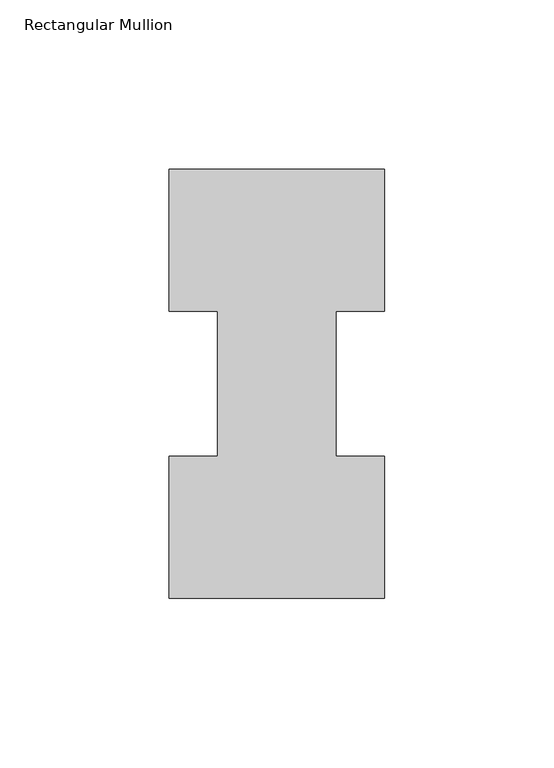
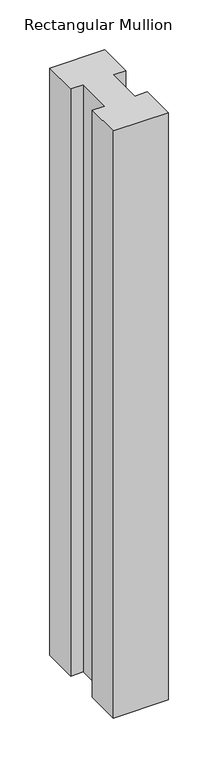
"""IFC4 building model written with IfcOpenShell, lengths in millimetres: member geometry, Rectangular Mullion."""

from ifc_helpers import new_model, si_unit, frame, origin, place, context, project, spatial, polyline, outline, extrude, source, transform, mapped, element, save


def rectangular_mullion_ca6f908b(model_context):
    return source(origin(), model_context, "Body", "SweptSolid", [
        extrude(outline(polyline([(-63.5, 0.26035), (-63.5, 42.08145), (-49.2125, 42.08145), (-49.2125, 84.93125), (-63.5, 84.93125), (-63.5, 126.75235), (0.0, 126.75235), (0.0, 84.93125), (-14.2748, 84.93125), (-14.2748, 42.08145), (0.0, 42.08145), (0.0, 0.26035), (-63.5, 0.26035)])), frame((0.0, 0.0, -717.8095563), z_axis=(0.0, 0.0, 1.0), x_axis=(1.0, 0.0, 0.0)), (0.0, 0.0, 1.0), 717.8095563),
    ])


if __name__ == "__main__":
    model = new_model("IFC4")
    model_context = context("Model", 3, world=origin())
    ifc_project = project(units=[si_unit("LENGTHUNIT", "METRE", prefix="MILLI")], contexts=[model_context])
    site = spatial("IfcSite", under=ifc_project)
    building = spatial("IfcBuilding", under=site)
    placement = place(None, origin())
    rectangular_mullion_shape = rectangular_mullion_ca6f908b(model_context)
    element("IfcMember", 1, ObjectType="Rectangular Mullion", at=placement, inside=building, context=model_context, shape_type="MappedRepresentation", body=[
        mapped(rectangular_mullion_shape, transform((0.0, 0.0, 0.0), x_axis=(1.0, 0.0, 0.0), y_axis=(0.0, 1.0, 0.0), z_axis=(0.0, 0.0, 1.0))),
    ])
    save(model, "model.ifc")
